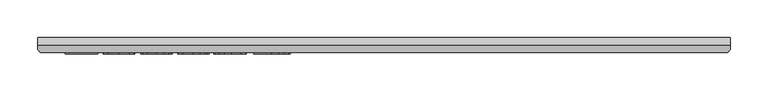
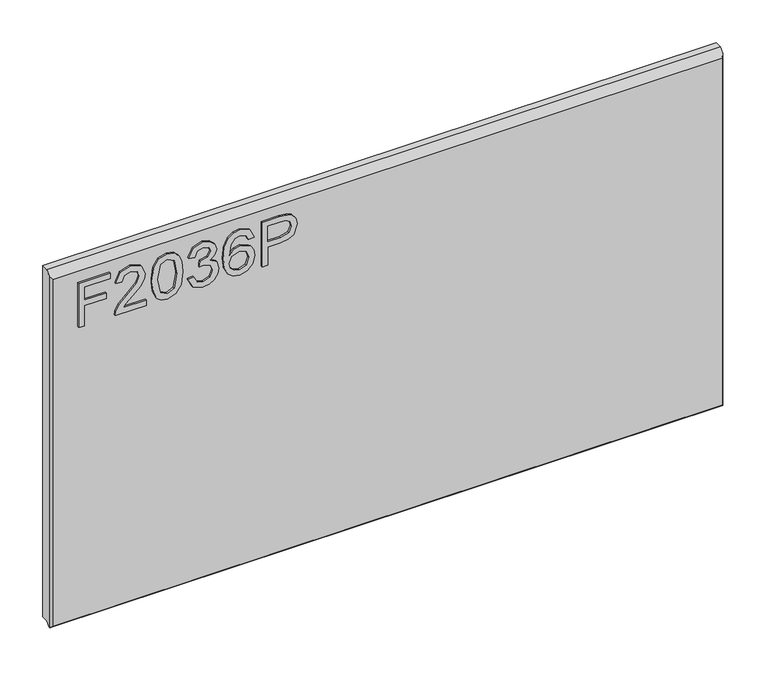
"""IFC4 building model written with IfcOpenShell, lengths in millimetres: furniture geometry."""

from ifc_helpers import new_model, si_unit, frame, origin, place, context, project, spatial, polyline, outline, extrude, faceted_brep, source, transform, mapped, element, save


def furniture_23234e28(model_context):
    return source(origin(), model_context, "Body", "SolidModel", [
        extrude(outline(polyline([(2052.4192188, -402.2436441), (2052.4192188, -394.2699245), (2081.3239524, -394.2699245), (2081.3239524, -364.3684759), (2089.297672, -364.3684759), (2089.297672, -394.2699245), (2108.2352561, -394.2699245), (2108.2352561, -359.3849011), (2116.2089757, -359.3849011), (2116.2089757, -402.2436441), (2052.4192188, -402.2436441)])), frame((0.0, -21.9273437, 0.0), z_axis=(0.0, 1.0, 0.0), x_axis=(0.0, 0.0, 1.0)), (0.0, 0.0, 1.0), 2.38125),
        extrude(outline(polyline([(2060.3929384, -310.5458685), (2060.3929384, -341.8645211), (2064.4498797, -338.2670031), (2072.1199127, -329.0941108), (2083.044843, -317.670823), (2090.8628259, -312.9597875), (2098.4238433, -311.5425834), (2111.1008116, -316.7986974), (2116.2089757, -331.071967), (2111.6147427, -345.2985156), (2098.2681066, -351.4111815), (2097.2713916, -343.4374619), (2105.3229796, -340.0813358), (2108.2352561, -331.2432774), (2105.2528981, -322.7634135), (2097.9410595, -319.516303), (2088.9083302, -322.9580844), (2075.6239887, -336.7252096), (2066.3810149, -346.7079328), (2057.9167247, -351.5513445), (2052.4192188, -352.4078965), (2052.4192188, -310.5458685), (2060.3929384, -310.5458685)])), frame((0.0, -21.9273437, 0.0), z_axis=(0.0, 1.0, 0.0), x_axis=(0.0, 0.0, 1.0)), (0.0, 0.0, 1.0), 2.38125),
        extrude(outline(polyline([(2083.8001661, -302.5721488), (2068.2848962, -300.9836344), (2057.4962355, -296.218091), (2052.9409367, -289.9263279), (2051.4225038, -281.6411348), (2054.918793, -269.9686683), (2065.524463, -263.0305978), (2083.8001661, -260.7101208), (2098.7898245, -262.1584723), (2108.2274692, -265.8961533), (2114.1532511, -272.3280795), (2116.2089757, -281.6411348), (2112.736047, -293.2668803), (2102.1537375, -300.2283113), (2083.8001661, -302.5721488)]), holes=[polyline([(2083.8157397, -294.5984292), (2103.9680702, -290.7361588), (2108.2352561, -281.7345769), (2103.3918444, -272.2969322), (2083.8157397, -268.6838405), (2064.0293906, -272.4215215), (2059.3962234, -281.6411348), (2064.0138169, -290.8607482), (2083.8157397, -294.5984292)])]), frame((0.0, -21.9273438, 0.0), z_axis=(0.0, 1.0, 0.0), x_axis=(0.0, 0.0, 1.0)), (0.0, 0.0, 1.0), 2.38125),
        extrude(outline(polyline([(2069.3633729, -253.7331162), (2056.4216522, -247.394632), (2051.4225038, -233.4094754), (2052.8864289, -224.8867838), (2057.2782041, -217.9759673), (2063.772425, -213.397308), (2071.5436869, -211.8710882), (2081.9157519, -214.9235277), (2087.3665368, -223.6136362), (2092.6460113, -217.0726943), (2099.996784, -214.861233), (2108.0405852, -217.1894969), (2114.0208749, -223.9173228), (2116.2089757, -233.5340647), (2111.7704794, -246.211033), (2099.2648215, -252.7364012), (2098.2681066, -244.7626816), (2105.7434687, -240.8536902), (2108.2352561, -233.2537386), (2105.7668292, -225.7472292), (2099.5295739, -222.8349527), (2092.4902746, -226.8529598), (2090.2943869, -237.1783038), (2082.3206673, -238.066003), (2083.1927929, -232.4750551), (2079.9301088, -223.4111785), (2071.6838499, -219.8448078), (2062.9314468, -223.4423258), (2059.3962234, -233.1291493), (2061.9658792, -241.3598345), (2070.3600879, -245.7593966), (2069.3633729, -253.7331162)])), frame((0.0, -21.9273437, 0.0), z_axis=(0.0, 1.0, 0.0), x_axis=(0.0, 0.0, 1.0)), (0.0, 0.0, 1.0), 2.38125),
        extrude(outline(polyline([(2099.2648215, -164.0287705), (2111.7081847, -169.9156182), (2116.2089757, -182.5147181), (2114.3907496, -191.7693722), (2108.9360713, -198.9137938), (2098.0773291, -204.1465473), (2082.1960779, -205.8907985), (2068.0707582, -204.3198044), (2058.5863925, -199.6068222), (2053.213476, -192.4020526), (2051.4225038, -183.3556964), (2054.1245357, -172.905763), (2061.9113713, -165.6640059), (2072.91417, -163.0320555), (2081.0864539, -164.4297925), (2087.6001418, -168.6230035), (2093.2845318, -182.1720973), (2091.2054467, -190.8855663), (2084.843602, -197.9170789), (2099.0545769, -195.6511097), (2106.3041209, -190.2081116), (2108.2352561, -183.0130756), (2104.9180641, -175.0237823), (2098.2681066, -172.0024901), (2099.2648215, -164.0287705)]), holes=[polyline([(2073.0387593, -197.9170789), (2081.9235387, -193.9535796), (2085.3108122, -184.3056903), (2081.9235387, -174.5332117), (2072.6494175, -171.0057751), (2062.9625941, -174.5799327), (2059.3962234, -183.9786432), (2061.1171141, -191.1658924), (2066.1318362, -196.0715988), (2073.0387593, -197.9170789)])]), frame((0.0, -21.9273438, 0.0), z_axis=(0.0, 1.0, 0.0), x_axis=(0.0, 0.0, 1.0)), (0.0, 0.0, 1.0), 2.38125),
        extrude(outline(polyline([(2052.4192188, -153.064906), (2052.4192188, -145.0911864), (2078.3338075, -145.0911864), (2078.3338075, -128.8789947), (2079.7432247, -117.5510957), (2083.9714765, -110.3541129), (2097.7541754, -105.2225883), (2106.4520707, -107.1225762), (2112.6192445, -112.1450851), (2115.6016025, -119.8929865), (2116.2089757, -129.4240732), (2116.2089757, -153.064906), (2052.4192188, -153.064906)]), holes=[polyline([(2086.3075271, -145.0911864), (2108.2352561, -145.0911864), (2108.2352561, -128.5986687), (2107.6901776, -120.624949), (2104.0770859, -115.2442457), (2097.4738493, -113.1963079), (2089.2353773, -116.6692366), (2086.3075271, -128.4117846), (2086.3075271, -145.0911864)])]), frame((0.0, -21.9273437, 0.0), z_axis=(0.0, 1.0, 0.0), x_axis=(0.0, 0.0, 1.0)), (0.0, 0.0, 1.0), 2.38125),
        faceted_brep([(475.9377049, 0.0, 2141.3192187), (-438.4622951, 0.0, 2141.3192187), (-438.4622951, -10.0314449, 2141.3192187), (475.9377049, -10.0314449, 2141.3192187), (-438.4622951, 0.0, 1636.791875), (475.9377049, 0.0, 1636.791875), (475.9377049, -10.0314449, 1636.791875), (-438.4622951, -10.0314449, 1636.791875), (-438.4622951, -15.7726273, 1631.0506927), (-438.4622951, -15.7726273, 2135.5780364), (-435.2959807, -19.5460937, 1633.616875), (472.7713906, -19.5460937, 1633.616875), (472.7713906, -19.5460937, 2131.8045699), (-435.2959807, -19.5460937, 2131.8045699), (475.9377049, -15.7726273, 2135.5780364), (475.9377049, -15.7726273, 1631.0506927), (-437.9514364, -16.3814449, 1630.441875), (475.4268462, -16.3814449, 1630.441875)], [[[0, 1, 2, 3]], [[4, 5, 6, 7]], [[1, 4, 7, 8, 9, 2]], [[10, 11, 12, 13]], [[5, 0, 3, 14, 15, 6]], [[1, 0, 5, 4]], [[11, 10, 16, 17]], [[7, 6, 15, 17, 16, 8]], [[3, 2, 9, 13, 12, 14]], [[9, 8, 16, 10, 13]], [[12, 11, 17, 15, 14]]]),
    ])


if __name__ == "__main__":
    model = new_model("IFC4")
    model_context = context("Model", 3, world=origin())
    ifc_project = project(units=[si_unit("LENGTHUNIT", "METRE", prefix="MILLI")], contexts=[model_context])
    site = spatial("IfcSite", under=ifc_project)
    building = spatial("IfcBuilding", under=site)
    placement = place(None, origin())
    furniture_shape = furniture_23234e28(model_context)
    element("IfcFurniture", 1, at=placement, inside=building, context=model_context, shape_type="MappedRepresentation", body=[
        mapped(furniture_shape, transform((0.0, 0.0, 0.0), x_axis=(1.0, 0.0, 0.0), y_axis=(0.0, 1.0, 0.0), z_axis=(0.0, 0.0, 1.0))),
    ])
    save(model, "model.ifc")
